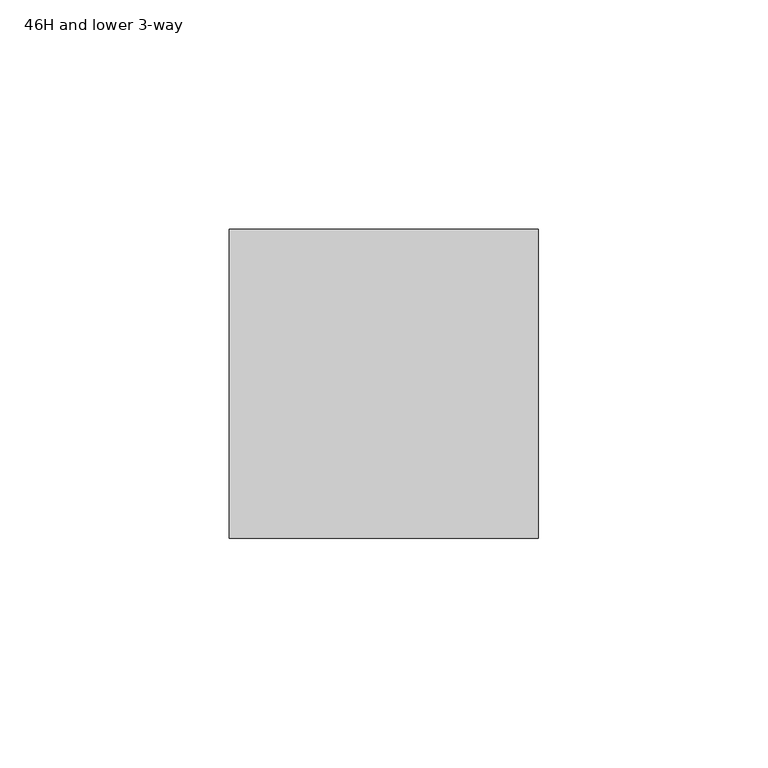
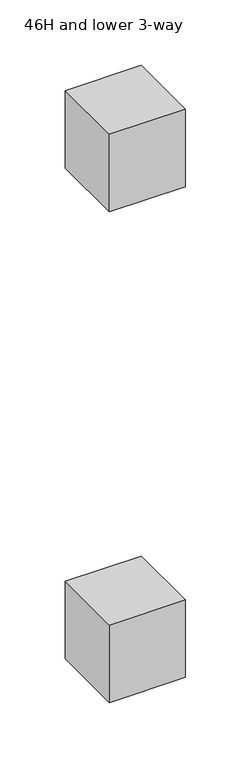
"""IFC4 building model written with IfcOpenShell, lengths in millimetres: furniture geometry, 46H and lower 3-way."""

from ifc_helpers import new_model, si_unit, frame, origin, place, context, project, spatial, polyline, outline, extrude, source, transform, mapped, element, save


def furniture_46h_and_lower_3_way_5386d370(model_context):
    return source(origin(), model_context, "Body", "SweptSolid", [
        extrude(outline(polyline([(33.6311875, -33.6311875), (-33.6311875, -33.6311875), (-33.6311875, 33.6311875), (33.6311875, 33.6311875), (33.6311875, -33.6311875)])), frame((0.0, 0.0, 651.51), z_axis=(0.0, 0.0, 1.0), x_axis=(1.0, 0.0, 0.0)), (0.0, 0.0, 1.0), 72.39),
        extrude(outline(polyline([(33.6311875, 33.6311875), (33.6311875, -33.6311875), (-33.6311875, -33.6311875), (-33.6311875, 33.6311875), (33.6311875, 33.6311875)])), frame((0.0, 0.0, 193.0399976), z_axis=(0.0, 0.0, 1.0), x_axis=(1.0, 0.0, 0.0)), (0.0, 0.0, 1.0), 72.39),
    ])


if __name__ == "__main__":
    model = new_model("IFC4")
    model_context = context("Model", 3, world=origin())
    ifc_project = project(units=[si_unit("LENGTHUNIT", "METRE", prefix="MILLI")], contexts=[model_context])
    site = spatial("IfcSite", under=ifc_project)
    building = spatial("IfcBuilding", under=site)
    placement = place(None, origin())
    furniture_46h_and_lower_3_way_shape = furniture_46h_and_lower_3_way_5386d370(model_context)
    element("IfcFurniture", 1, ObjectType="46H and lower 3-way", at=placement, inside=building, context=model_context, shape_type="MappedRepresentation", body=[
        mapped(furniture_46h_and_lower_3_way_shape, transform((0.0, 0.0, 0.0), x_axis=(1.0, 0.0, 0.0), y_axis=(0.0, 1.0, 0.0), z_axis=(0.0, 0.0, 1.0))),
    ])
    save(model, "model.ifc")
